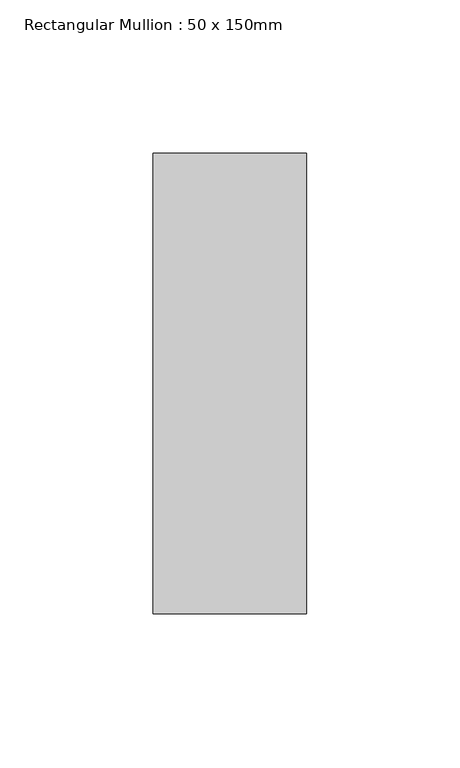
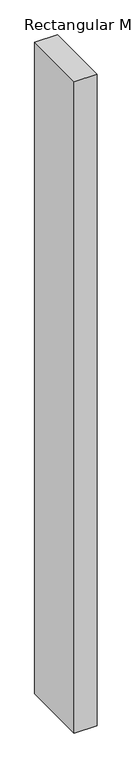
"""IFC4 building model written with IfcOpenShell, lengths in millimetres: member geometry, Rectangular Mullion : 50 x 150mm."""

import ifcopenshell
import ifcopenshell.guid

model = None  # the IFC model being written
_history = None  # IfcOwnerHistory: only IFC2X3 demands one
_inside = {}  # id of a spatial element -> (the spatial element, [elements in it])
_under = {}  # id of a project, library or spatial element -> (it, [spatial elements below it])
_declared = {}  # id of a project -> (the project, [libraries it declares])
_typed = {}  # id of a type object -> (the type object, [elements of that type])
_made_of = {}  # id of a material, layer set ... -> (it, [elements and type objects made of it])


def new_model(schema):
    """Start an empty IFC model of exactly this schema.

    Asked for "IFC4X3", IfcOpenShell would pick the latest addendum, in which some entities
    have other attributes; the version numbers below select the first issue.
    IFC2X3 requires an IfcOwnerHistory on every rooted entity: one is made here for all.
    """
    global model, _history
    if schema == "IFC4X3":
        model = ifcopenshell.file(schema_version=(4, 3, 0, 0))
    else:
        model = ifcopenshell.file(schema=schema)
    _inside.clear()
    _under.clear()
    _declared.clear()
    _typed.clear()
    _made_of.clear()
    _history = None
    if model.schema == "IFC2X3":
        org = make("IfcOrganization", Name="unknown")
        user = make(
            "IfcPersonAndOrganization",
            ThePerson=make("IfcPerson", FamilyName="unknown"),
            TheOrganization=org,
        )
        app = make(
            "IfcApplication",
            ApplicationDeveloper=org,
            Version="unknown",
            ApplicationFullName="unknown",
            ApplicationIdentifier="unknown",
        )
        _history = make(
            "IfcOwnerHistory",
            OwningUser=user,
            OwningApplication=app,
            ChangeAction="ADDED",
            CreationDate=0,
        )
    return model


def make(cls, **values):
    """One entity of the class cls with the attributes given. An attribute that is None is left unset."""
    return model.create_entity(
        cls, **{name: value for name, value in values.items() if value is not None}
    )


def rooted(cls, **values):
    """An entity with a GlobalId (a new one), such as an element, a storey or a relation."""
    return make(cls, GlobalId=ifcopenshell.guid.new(), OwnerHistory=_history, **values)


def si_unit(unit_type, name, prefix=None):
    """IfcSIUnit, for example si_unit("LENGTHUNIT", "METRE", prefix="MILLI")."""
    return make("IfcSIUnit", UnitType=unit_type, Prefix=prefix, Name=name)


def assignment(units):
    """IfcUnitAssignment: the units of a project."""
    return None if units is None else make("IfcUnitAssignment", Units=units)


def point(xyz):
    """IfcCartesianPoint."""
    return None if xyz is None else make("IfcCartesianPoint", Coordinates=xyz)


def direction(xyz):
    """IfcDirection."""
    return None if xyz is None else make("IfcDirection", DirectionRatios=xyz)


def frame(location, z_axis=None, x_axis=None):
    """IfcAxis2Placement3D, a coordinate frame: its origin and axes. An axis left out is left unset."""
    return make(
        "IfcAxis2Placement3D",
        Location=point(location),
        Axis=direction(z_axis),
        RefDirection=direction(x_axis),
    )


def origin():
    """The frame at (0, 0, 0) with its axes left unset."""
    return frame((0.0, 0.0, 0.0))


def place(relative_to, where):
    """IfcLocalPlacement: puts the frame where relative to a parent placement (None: the world)."""
    return make(
        "IfcLocalPlacement", PlacementRelTo=relative_to, RelativePlacement=where
    )


def context(
    kind, dimensions, precision=None, world=None, true_north=None, identifier=None
):
    """IfcGeometricRepresentationContext, for example the 3D "Model" context."""
    return make(
        "IfcGeometricRepresentationContext",
        ContextIdentifier=identifier,
        ContextType=kind,
        CoordinateSpaceDimension=dimensions,
        Precision=precision,
        WorldCoordinateSystem=world,
        TrueNorth=true_north,
    )


def project(units=None, contexts=None):
    """IfcProject with its units and contexts."""
    return rooted(
        "IfcProject",
        Name="project",
        RepresentationContexts=contexts,
        UnitsInContext=assignment(units),
    )


def spatial(cls, under=None, at=None, **own):
    """A site, building, storey or space (cls), placed at a placement, below another one or the project."""
    s = rooted(cls, ObjectPlacement=at, **own)
    if under is not None:
        _under.setdefault(under.id(), (under, []))[1].append(s)
    return s


def polyline(points):
    """IfcPolyline through the points."""
    return make("IfcPolyline", Points=[point(p) for p in points])


def outline(outer, holes=None, kind="AREA"):
    """IfcArbitraryClosedProfileDef: a profile drawn as a closed curve; with holes, ...WithVoids."""
    if holes is None:
        return make("IfcArbitraryClosedProfileDef", ProfileType=kind, OuterCurve=outer)
    return make(
        "IfcArbitraryProfileDefWithVoids",
        ProfileType=kind,
        OuterCurve=outer,
        InnerCurves=holes,
    )


def extrude(swept, where, along, depth):
    """IfcExtrudedAreaSolid: the profile swept, set in the frame where, extruded along a direction by depth."""
    return make(
        "IfcExtrudedAreaSolid",
        SweptArea=swept,
        Position=where,
        ExtrudedDirection=direction(along),
        Depth=depth,
    )


def shape(context_of_items, identifier, shape_type, items):
    """IfcShapeRepresentation: the items that make up one representation, for example the "Body"."""
    return make(
        "IfcShapeRepresentation",
        ContextOfItems=context_of_items,
        RepresentationIdentifier=identifier,
        RepresentationType=shape_type,
        Items=items,
    )


def source(mapping_origin, context_of_items, identifier, shape_type, items):
    """IfcRepresentationMap: a shape defined once, which mapped items show again and again."""
    return make(
        "IfcRepresentationMap",
        MappingOrigin=mapping_origin,
        MappedRepresentation=shape(context_of_items, identifier, shape_type, items),
    )


def transform(
    local_origin,
    x_axis=None,
    y_axis=None,
    z_axis=None,
    scale=None,
    scale2=None,
    scale3=None,
    uniform=True,
):
    """IfcCartesianTransformationOperator3D, or its non-uniform kind. x_axis, y_axis, z_axis: its Axis1, 2, 3."""
    if uniform:
        return make(
            "IfcCartesianTransformationOperator3D",
            Axis1=direction(x_axis),
            Axis2=direction(y_axis),
            LocalOrigin=point(local_origin),
            Scale=scale,
            Axis3=direction(z_axis),
        )
    return make(
        "IfcCartesianTransformationOperator3DnonUniform",
        Axis1=direction(x_axis),
        Axis2=direction(y_axis),
        LocalOrigin=point(local_origin),
        Scale=scale,
        Axis3=direction(z_axis),
        Scale2=scale2,
        Scale3=scale3,
    )


def mapped(mapping_source, mapping_target):
    """IfcMappedItem: shows the shape of a source again, moved by a transform."""
    return make(
        "IfcMappedItem", MappingSource=mapping_source, MappingTarget=mapping_target
    )


def made_of(thing, what):
    """Note that an element or type object is made of a material, layer set ...; save() writes the relation."""
    if what is not None:
        _made_of.setdefault(what.id(), (what, []))[1].append(thing)
    return thing


def element(
    cls,
    number,
    at=None,
    inside=None,
    cuts=None,
    type_object=None,
    material=None,
    context=None,
    identifier="Body",
    shape_type=None,
    held_by="IfcProductDefinitionShape",
    body=None,
    shapes=None,
    **own,
):
    """One element of the class cls, such as IfcWall. Its Tag is "e" and its number.

    at: its placement. inside: the storey or other place that contains it. cuts: it is an
    opening in that element (IfcRelVoidsElement). A single representation is given by context,
    identifier, shape_type and body (its items); several are given by shapes. held_by: the class
    of the entity that holds the representations. save() writes the other relations.
    """
    e = rooted(cls, Tag="e%d" % number, ObjectPlacement=at, **own)
    if body is not None:
        shapes = [shape(context, identifier, shape_type, body)]
    if shapes is not None:
        e.Representation = make(held_by, Representations=shapes)
    if inside is not None:
        _inside.setdefault(inside.id(), (inside, []))[1].append(e)
    if cuts is not None:
        rooted(
            "IfcRelVoidsElement", RelatingBuildingElement=cuts, RelatedOpeningElement=e
        )
    if type_object is not None:
        _typed.setdefault(type_object.id(), (type_object, []))[1].append(e)
    return made_of(e, material)


def aggregate(whole, parts):
    """IfcRelAggregates: a whole, such as a stair, and the parts it consists of."""
    return rooted("IfcRelAggregates", RelatingObject=whole, RelatedObjects=parts)


def save(model, path):
    """Write the relations noted so far, then the file.

    IfcRelAggregates (storeys below a building ...), IfcRelContainedInSpatialStructure (elements
    in a storey), IfcRelDefinesByType, IfcRelAssociatesMaterial and IfcRelDeclares: one each for
    every whole, place, type object, material and project.
    """
    for whole, parts in _under.values():
        aggregate(whole, parts)
    for where, things in _inside.values():
        rooted(
            "IfcRelContainedInSpatialStructure",
            RelatedElements=things,
            RelatingStructure=where,
        )
    for kind, things in _typed.values():
        rooted("IfcRelDefinesByType", RelatedObjects=things, RelatingType=kind)
    for what, things in _made_of.values():
        rooted("IfcRelAssociatesMaterial", RelatedObjects=things, RelatingMaterial=what)
    for by, libraries in _declared.values():
        rooted("IfcRelDeclares", RelatingContext=by, RelatedDefinitions=libraries)
    model.write(path)


def rectangular_mullion_50_x_150mm_9f705c34(model_context):
    return source(origin(), model_context, "Body", "SweptSolid", [
        extrude(outline(polyline([(0.0, 75.0), (0.0, -75.0), (-50.0, -75.0), (-50.0, 75.0), (0.0, 75.0)])), frame((0.0, 0.0, -1507.2330358), z_axis=(0.0, 0.0, 1.0), x_axis=(1.0, 0.0, 0.0)), (0.0, 0.0, 1.0), 1507.2330358),
    ])


if __name__ == "__main__":
    model = new_model("IFC4")
    model_context = context("Model", 3, world=origin())
    ifc_project = project(units=[si_unit("LENGTHUNIT", "METRE", prefix="MILLI")], contexts=[model_context])
    site = spatial("IfcSite", under=ifc_project)
    building = spatial("IfcBuilding", under=site)
    placement = place(None, origin())
    rectangular_mullion_50_x_150mm_shape = rectangular_mullion_50_x_150mm_9f705c34(model_context)
    element("IfcMember", 1, ObjectType="Rectangular Mullion : 50 x 150mm", at=placement, inside=building, context=model_context, shape_type="MappedRepresentation", body=[
        mapped(rectangular_mullion_50_x_150mm_shape, transform((0.0, 0.0, 0.0), x_axis=(1.0, 0.0, 0.0), y_axis=(0.0, 1.0, 0.0), z_axis=(0.0, 0.0, 1.0))),
    ])
    save(model, "model.ifc")
